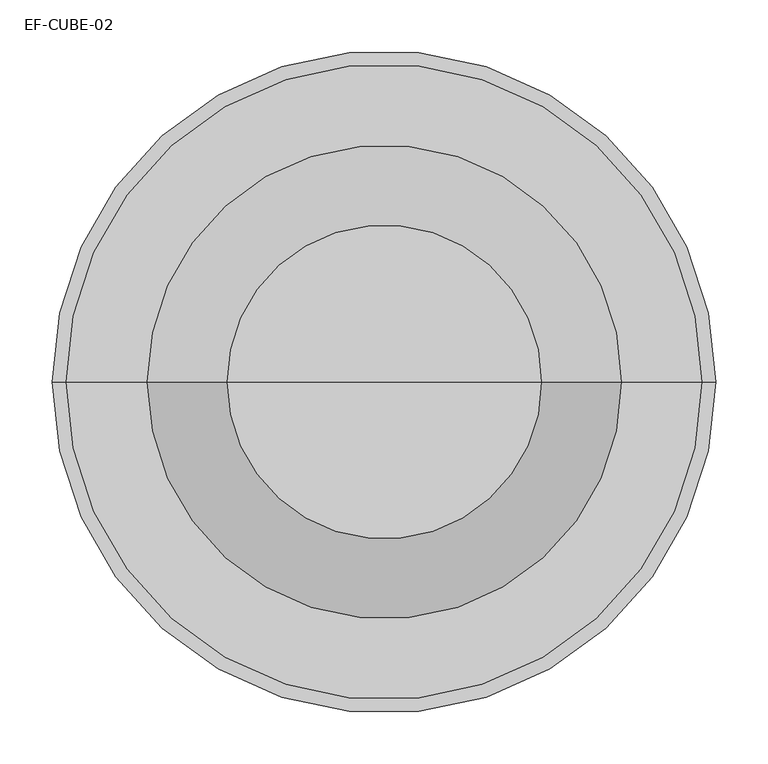
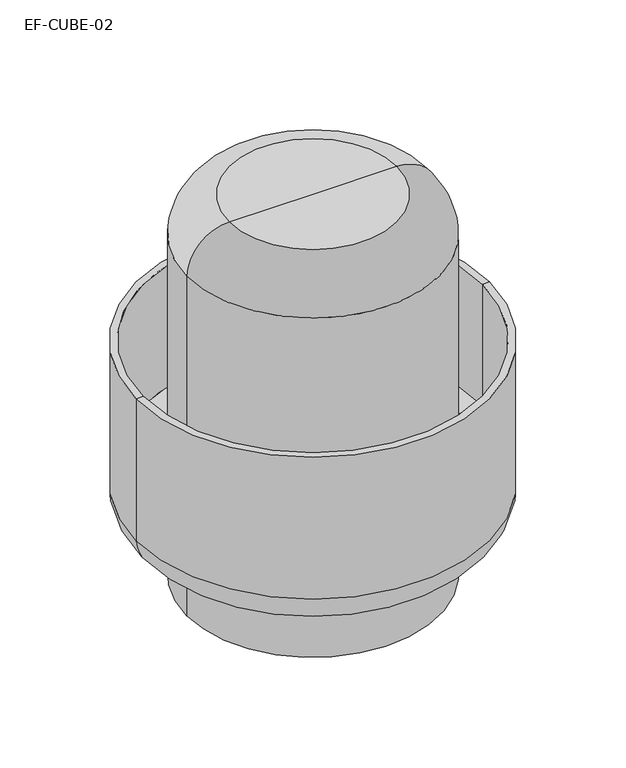
"""IFC4 building model written with IfcOpenShell, lengths in millimetres: proxy geometry, EF-CUBE-02."""

from ifc_helpers import new_model, si_unit, point, frame, origin, place, context, project, spatial, polyline, circle_curve, ellipse_curve, trimmed, source, transform, mapped, element, save
from ifc_brep_helpers import plane_surface, cylinder_surface, revolved_surface, advanced_brep


def ef_cube_02_4c4ac003(model_context):
    return source(origin(), model_context, "Body", "AdvancedBrep", [
        advanced_brep(
        [(36.4500884, 0.0, 444.5), (-595.3749116, 0.0, 444.5), (-582.6749116, 0.0, 444.5), (23.7500884, 0.0, 444.5), (-26.6132799, 0.0, 113.50625), (-279.4624116, 0.0, 113.50625), (-532.3114741, 0.0, 113.50625), (36.4500884, 0.0, 176.5696875), (-595.3749116, 0.0, 176.5696875), (-582.6749116, 0.0, 214.757), (-279.4624116, 0.0, 214.757), (23.7500884, 0.0, 214.757)],
        [
            (0, 1, circle_curve(frame((-279.4624116, 0.0, 444.5), z_axis=(0.0, 0.0, 1.0), x_axis=(1.0, 0.0, 0.0)), 315.9125)),
            (1, 2),
            (2, 3, circle_curve(frame((-279.4624116, 0.0, 444.5), z_axis=(0.0, 0.0, -1.0), x_axis=(1.0, 0.0, 0.0)), 303.2125)),
            (3, 0),
            (1, 0, circle_curve(frame((-279.4624116, 0.0, 444.5), z_axis=(0.0, 0.0, 1.0), x_axis=(1.0, 0.0, 0.0)), 315.9125)),
            (3, 2, circle_curve(frame((-279.4624116, 0.0, 444.5), z_axis=(0.0, 0.0, -1.0), x_axis=(1.0, 0.0, 0.0)), 303.2125)),
            (4, 5),
            (5, 6),
            (6, 4, circle_curve(frame((-279.4624116, 0.0, 113.50625), z_axis=(0.0, 0.0, -1.0), x_axis=(1.0, 0.0, 0.0)), 252.8490625)),
            (4, 6, circle_curve(frame((-279.4624116, 0.0, 113.50625), z_axis=(0.0, 0.0, -1.0), x_axis=(1.0, 0.0, 0.0)), 252.8490625)),
            (0, 7),
            (7, 8, circle_curve(frame((-279.4624116, 0.0, 176.5696875), z_axis=(0.0, 0.0, 1.0), x_axis=(1.0, 0.0, 0.0)), 315.9125)),
            (8, 1),
            (8, 7, circle_curve(frame((-279.4624116, 0.0, 176.5696875), z_axis=(0.0, 0.0, 1.0), x_axis=(1.0, 0.0, 0.0)), 315.9125)),
            (6, 8, circle_curve(frame((-532.3114741, 0.0, 176.5696875), z_axis=(0.0, 1.0, 0.0), x_axis=(-1.0, 0.0, 0.0)), 63.0634375)),
            (7, 4, circle_curve(frame((-26.6133491, 0.0, 176.5696875), z_axis=(0.0, 1.0, 0.0), x_axis=(1.0, 0.0, 0.0)), 63.0634375)),
            (9, 10),
            (10, 11),
            (11, 9, circle_curve(frame((-279.4624116, 0.0, 214.757), z_axis=(0.0, 0.0, 1.0), x_axis=(1.0, 0.0, 0.0)), 303.2125)),
            (9, 11, circle_curve(frame((-279.4624116, 0.0, 214.757), z_axis=(0.0, 0.0, 1.0), x_axis=(1.0, 0.0, 0.0)), 303.2125)),
            (11, 3),
            (2, 9),
        ],
        [
            plane_surface(frame((-279.4624116, 0.0, 444.5), z_axis=(0.0, 0.0, 1.0), x_axis=(1.0, 0.0, 0.0))),
            plane_surface(frame((-279.4624116, 0.0, 113.50625), z_axis=(0.0, 0.0, -1.0), x_axis=(1.0, 0.0, 0.0))),
            cylinder_surface(frame((-279.4624116, 0.0, 113.4734507), z_axis=(0.0, 0.0, 1.0), x_axis=(1.0, 0.0, 0.0)), 315.9125),
            revolved_surface(trimmed(ellipse_curve(frame((-26.6133491, 0.0, 176.5696875), z_axis=(0.0, -1.0, 0.0), x_axis=(1.0, 0.0, 0.0)), 63.0634375, 63.0634375), [point((-26.6133491, 0.0, 113.50625))], [point((36.4500884, 0.0, 176.5696875))], True, "CARTESIAN"), (-279.4624116, 0.0, 563.4522906), (0.0, 0.0, 1.0)),
            plane_surface(frame((-279.4624116, 0.0, 214.757), z_axis=(0.0, 0.0, 1.0), x_axis=(1.0, 0.0, 0.0))),
            revolved_surface(polyline([(23.75008839999998, 0.0, 444.5), (23.75008839999998, 0.0, 214.757)]), (-279.4624116, 0.0, 563.4522906), (0.0, 0.0, 1.0)),
        ],
        [
            (0, [[1, 2, 3, 4]]),
            (0, [[5, -4, 6, -2]]),
            (1, [[7, 8, 9]]),
            (1, [[-7, 10, -8]]),
            (2, [[-1, 11, 12, 13]]),
            (2, [[-5, -13, 14, -11]]),
            (3, [[15, -12, 16, -9]]),
            (3, [[-15, -10, -16, -14]]),
            (4, [[17, 18, 19]]),
            (4, [[-17, 20, -18]]),
            (5, [[-19, 21, -3, 22]]),
            (5, [[-20, -22, -6, -21]]),
        ],
    ),
        advanced_brep(
        [(-504.8874116, 0.0, 644.525), (-53.2436616, 0.0, 644.525), (-53.2436616, 0.0, 3.175), (-504.8874116, 0.0, 3.175), (-279.0655366, 0.0, 720.725), (-129.4436616, 0.0, 720.725), (-428.6874116, 0.0, 720.725), (-279.0655366, 0.0, 3.175)],
        [
            (0, 1, circle_curve(frame((-279.0655366, 0.0, 644.525), z_axis=(0.0, 0.0, -1.0), x_axis=(1.0, 0.0, 0.0)), 225.821875)),
            (1, 2),
            (2, 3, circle_curve(frame((-279.0655366, 0.0, 3.175), z_axis=(0.0, 0.0, 1.0), x_axis=(1.0, 0.0, 0.0)), 225.821875)),
            (3, 0),
            (1, 0, circle_curve(frame((-279.0655366, 0.0, 644.525), z_axis=(0.0, 0.0, -1.0), x_axis=(1.0, 0.0, 0.0)), 225.821875)),
            (3, 2, circle_curve(frame((-279.0655366, 0.0, 3.175), z_axis=(0.0, 0.0, 1.0), x_axis=(1.0, 0.0, 0.0)), 225.821875)),
            (4, 5),
            (5, 6, circle_curve(frame((-279.0655366, 0.0, 720.725), z_axis=(0.0, 0.0, 1.0), x_axis=(1.0, 0.0, 0.0)), 149.621875)),
            (6, 4),
            (6, 5, circle_curve(frame((-279.0655366, 0.0, 720.725), z_axis=(0.0, 0.0, 1.0), x_axis=(1.0, 0.0, 0.0)), 149.621875)),
            (2, 7),
            (7, 3),
            (5, 1, circle_curve(frame((-129.4436616, 0.0, 644.525), z_axis=(0.0, 1.0, 0.0), x_axis=(1.0, 0.0, 0.0)), 76.2)),
            (0, 6, circle_curve(frame((-428.6874116, 0.0, 644.525), z_axis=(0.0, 1.0, 0.0), x_axis=(-1.0, 0.0, 0.0)), 76.2)),
        ],
        [
            cylinder_surface(frame((-279.0655366, 0.0, 51.4638052), z_axis=(0.0, 0.0, 1.0), x_axis=(1.0, 0.0, 0.0)), 225.821875),
            plane_surface(frame((-279.0655366, 0.0, 720.725), z_axis=(0.0, 0.0, 1.0), x_axis=(1.0, 0.0, 0.0))),
            plane_surface(frame((-279.0655366, 0.0, 3.175), z_axis=(0.0, 0.0, -1.0), x_axis=(1.0, 0.0, 0.0))),
            revolved_surface(trimmed(ellipse_curve(frame((-129.4436616, 0.0, 644.525), z_axis=(0.0, -1.0, 0.0), x_axis=(1.0, 0.0, 0.0)), 76.2, 76.2), [point((-53.2436616, 0.0, 644.525))], [point((-129.4436616, 0.0, 720.725))], True, "CARTESIAN"), (-279.0655366, 0.0, 51.4638052), (0.0, 0.0, 1.0)),
        ],
        [
            (0, [[1, 2, 3, 4]]),
            (0, [[5, -4, 6, -2]]),
            (1, [[7, 8, 9]]),
            (1, [[-9, 10, -7]]),
            (2, [[-3, 11, 12]]),
            (2, [[-6, -12, -11]]),
            (3, [[-8, 13, -1, 14]]),
            (3, [[-10, -14, -5, -13]]),
        ],
    ),
    ])


if __name__ == "__main__":
    model = new_model("IFC4")
    model_context = context("Model", 3, world=origin())
    ifc_project = project(units=[si_unit("LENGTHUNIT", "METRE", prefix="MILLI")], contexts=[model_context])
    site = spatial("IfcSite", under=ifc_project)
    building = spatial("IfcBuilding", under=site)
    placement = place(None, origin())
    ef_cube_02_shape = ef_cube_02_4c4ac003(model_context)
    element("IfcBuildingElementProxy", 1, Name="EF-CUBE-02", ObjectType="EF-CUBE-02", at=placement, inside=building, context=model_context, shape_type="MappedRepresentation", body=[
        mapped(ef_cube_02_shape, transform((0.0, 0.0, 0.0), x_axis=(1.0, 0.0, 0.0), y_axis=(0.0, 1.0, 0.0), z_axis=(0.0, 0.0, 1.0))),
    ])
    save(model, "model.ifc")
